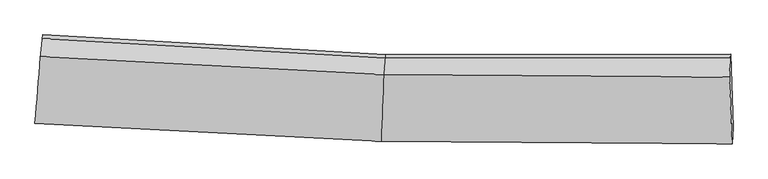
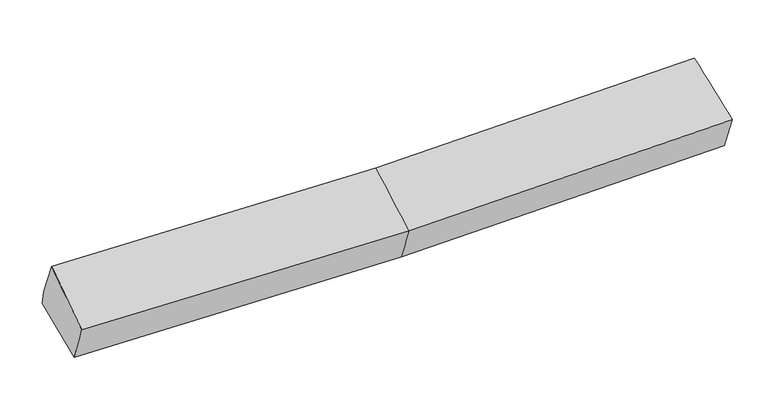
"""IFC4 building model written with IfcOpenShell, lengths in millimetres: proxy geometry."""

import ifcopenshell
import ifcopenshell.guid

model = None  # the IFC model being written
_history = None  # IfcOwnerHistory: only IFC2X3 demands one
_inside = {}  # id of a spatial element -> (the spatial element, [elements in it])
_under = {}  # id of a project, library or spatial element -> (it, [spatial elements below it])
_declared = {}  # id of a project -> (the project, [libraries it declares])
_typed = {}  # id of a type object -> (the type object, [elements of that type])
_made_of = {}  # id of a material, layer set ... -> (it, [elements and type objects made of it])


def new_model(schema):
    """Start an empty IFC model of exactly this schema.

    Asked for "IFC4X3", IfcOpenShell would pick the latest addendum, in which some entities
    have other attributes; the version numbers below select the first issue.
    IFC2X3 requires an IfcOwnerHistory on every rooted entity: one is made here for all.
    """
    global model, _history
    if schema == "IFC4X3":
        model = ifcopenshell.file(schema_version=(4, 3, 0, 0))
    else:
        model = ifcopenshell.file(schema=schema)
    _inside.clear()
    _under.clear()
    _declared.clear()
    _typed.clear()
    _made_of.clear()
    _history = None
    if model.schema == "IFC2X3":
        org = make("IfcOrganization", Name="unknown")
        user = make(
            "IfcPersonAndOrganization",
            ThePerson=make("IfcPerson", FamilyName="unknown"),
            TheOrganization=org,
        )
        app = make(
            "IfcApplication",
            ApplicationDeveloper=org,
            Version="unknown",
            ApplicationFullName="unknown",
            ApplicationIdentifier="unknown",
        )
        _history = make(
            "IfcOwnerHistory",
            OwningUser=user,
            OwningApplication=app,
            ChangeAction="ADDED",
            CreationDate=0,
        )
    return model


def make(cls, **values):
    """One entity of the class cls with the attributes given. An attribute that is None is left unset."""
    return model.create_entity(
        cls, **{name: value for name, value in values.items() if value is not None}
    )


def rooted(cls, **values):
    """An entity with a GlobalId (a new one), such as an element, a storey or a relation."""
    return make(cls, GlobalId=ifcopenshell.guid.new(), OwnerHistory=_history, **values)


def si_unit(unit_type, name, prefix=None):
    """IfcSIUnit, for example si_unit("LENGTHUNIT", "METRE", prefix="MILLI")."""
    return make("IfcSIUnit", UnitType=unit_type, Prefix=prefix, Name=name)


def assignment(units):
    """IfcUnitAssignment: the units of a project."""
    return None if units is None else make("IfcUnitAssignment", Units=units)


def point(xyz):
    """IfcCartesianPoint."""
    return None if xyz is None else make("IfcCartesianPoint", Coordinates=xyz)


def direction(xyz):
    """IfcDirection."""
    return None if xyz is None else make("IfcDirection", DirectionRatios=xyz)


def frame(location, z_axis=None, x_axis=None):
    """IfcAxis2Placement3D, a coordinate frame: its origin and axes. An axis left out is left unset."""
    return make(
        "IfcAxis2Placement3D",
        Location=point(location),
        Axis=direction(z_axis),
        RefDirection=direction(x_axis),
    )


def origin():
    """The frame at (0, 0, 0) with its axes left unset."""
    return frame((0.0, 0.0, 0.0))


def place(relative_to, where):
    """IfcLocalPlacement: puts the frame where relative to a parent placement (None: the world)."""
    return make(
        "IfcLocalPlacement", PlacementRelTo=relative_to, RelativePlacement=where
    )


def context(
    kind, dimensions, precision=None, world=None, true_north=None, identifier=None
):
    """IfcGeometricRepresentationContext, for example the 3D "Model" context."""
    return make(
        "IfcGeometricRepresentationContext",
        ContextIdentifier=identifier,
        ContextType=kind,
        CoordinateSpaceDimension=dimensions,
        Precision=precision,
        WorldCoordinateSystem=world,
        TrueNorth=true_north,
    )


def project(units=None, contexts=None):
    """IfcProject with its units and contexts."""
    return rooted(
        "IfcProject",
        Name="project",
        RepresentationContexts=contexts,
        UnitsInContext=assignment(units),
    )


def spatial(cls, under=None, at=None, **own):
    """A site, building, storey or space (cls), placed at a placement, below another one or the project."""
    s = rooted(cls, ObjectPlacement=at, **own)
    if under is not None:
        _under.setdefault(under.id(), (under, []))[1].append(s)
    return s


def shape(context_of_items, identifier, shape_type, items):
    """IfcShapeRepresentation: the items that make up one representation, for example the "Body"."""
    return make(
        "IfcShapeRepresentation",
        ContextOfItems=context_of_items,
        RepresentationIdentifier=identifier,
        RepresentationType=shape_type,
        Items=items,
    )


def source(mapping_origin, context_of_items, identifier, shape_type, items):
    """IfcRepresentationMap: a shape defined once, which mapped items show again and again."""
    return make(
        "IfcRepresentationMap",
        MappingOrigin=mapping_origin,
        MappedRepresentation=shape(context_of_items, identifier, shape_type, items),
    )


def transform(
    local_origin,
    x_axis=None,
    y_axis=None,
    z_axis=None,
    scale=None,
    scale2=None,
    scale3=None,
    uniform=True,
):
    """IfcCartesianTransformationOperator3D, or its non-uniform kind. x_axis, y_axis, z_axis: its Axis1, 2, 3."""
    if uniform:
        return make(
            "IfcCartesianTransformationOperator3D",
            Axis1=direction(x_axis),
            Axis2=direction(y_axis),
            LocalOrigin=point(local_origin),
            Scale=scale,
            Axis3=direction(z_axis),
        )
    return make(
        "IfcCartesianTransformationOperator3DnonUniform",
        Axis1=direction(x_axis),
        Axis2=direction(y_axis),
        LocalOrigin=point(local_origin),
        Scale=scale,
        Axis3=direction(z_axis),
        Scale2=scale2,
        Scale3=scale3,
    )


def mapped(mapping_source, mapping_target):
    """IfcMappedItem: shows the shape of a source again, moved by a transform."""
    return make(
        "IfcMappedItem", MappingSource=mapping_source, MappingTarget=mapping_target
    )


def made_of(thing, what):
    """Note that an element or type object is made of a material, layer set ...; save() writes the relation."""
    if what is not None:
        _made_of.setdefault(what.id(), (what, []))[1].append(thing)
    return thing


def element(
    cls,
    number,
    at=None,
    inside=None,
    cuts=None,
    type_object=None,
    material=None,
    context=None,
    identifier="Body",
    shape_type=None,
    held_by="IfcProductDefinitionShape",
    body=None,
    shapes=None,
    **own,
):
    """One element of the class cls, such as IfcWall. Its Tag is "e" and its number.

    at: its placement. inside: the storey or other place that contains it. cuts: it is an
    opening in that element (IfcRelVoidsElement). A single representation is given by context,
    identifier, shape_type and body (its items); several are given by shapes. held_by: the class
    of the entity that holds the representations. save() writes the other relations.
    """
    e = rooted(cls, Tag="e%d" % number, ObjectPlacement=at, **own)
    if body is not None:
        shapes = [shape(context, identifier, shape_type, body)]
    if shapes is not None:
        e.Representation = make(held_by, Representations=shapes)
    if inside is not None:
        _inside.setdefault(inside.id(), (inside, []))[1].append(e)
    if cuts is not None:
        rooted(
            "IfcRelVoidsElement", RelatingBuildingElement=cuts, RelatedOpeningElement=e
        )
    if type_object is not None:
        _typed.setdefault(type_object.id(), (type_object, []))[1].append(e)
    return made_of(e, material)


def aggregate(whole, parts):
    """IfcRelAggregates: a whole, such as a stair, and the parts it consists of."""
    return rooted("IfcRelAggregates", RelatingObject=whole, RelatedObjects=parts)


def save(model, path):
    """Write the relations noted so far, then the file.

    IfcRelAggregates (storeys below a building ...), IfcRelContainedInSpatialStructure (elements
    in a storey), IfcRelDefinesByType, IfcRelAssociatesMaterial and IfcRelDeclares: one each for
    every whole, place, type object, material and project.
    """
    for whole, parts in _under.values():
        aggregate(whole, parts)
    for where, things in _inside.values():
        rooted(
            "IfcRelContainedInSpatialStructure",
            RelatedElements=things,
            RelatingStructure=where,
        )
    for kind, things in _typed.values():
        rooted("IfcRelDefinesByType", RelatedObjects=things, RelatingType=kind)
    for what, things in _made_of.values():
        rooted("IfcRelAssociatesMaterial", RelatedObjects=things, RelatingMaterial=what)
    for by, libraries in _declared.values():
        rooted("IfcRelDeclares", RelatingContext=by, RelatedDefinitions=libraries)
    model.write(path)


def plane_surface(at):
    """IfcPlane: the flat surface through the origin of the frame at, square to its z axis."""
    return make("IfcPlane", Position=at)


def spline_surface(u_degree, v_degree, points, u_multiplicities, v_multiplicities, u_knots, v_knots, weights=None):
    """IfcBSplineSurfaceWithKnots; with weights, IfcRationalBSplineSurfaceWithKnots. points: one row for each step in u."""
    own = dict(
        UDegree=u_degree,
        VDegree=v_degree,
        ControlPointsList=[[point(p) for p in row] for row in points],
        SurfaceForm="UNSPECIFIED",
        UClosed=False,
        VClosed=False,
        SelfIntersect=False,
        UMultiplicities=u_multiplicities,
        VMultiplicities=v_multiplicities,
        UKnots=u_knots,
        VKnots=v_knots,
        KnotSpec="UNSPECIFIED",
    )
    if weights is None:
        return make("IfcBSplineSurfaceWithKnots", **own)
    return make("IfcRationalBSplineSurfaceWithKnots", WeightsData=weights, **own)


def advanced_brep(points, edges, surfaces, faces):
    """IfcAdvancedBrep: a solid bounded by faces that lie on surfaces and meet in shared edges.

    An edge is (start, end): straight between two places in points (the first is 0);
    or (start, end, curve); or (start, end, curve, False) where it runs against its curve.
    A face is (place in surfaces, loops), or (place, loops, False) where it looks against
    its surface's normal. A loop lists edges by number (the first is 1), with a minus sign
    where the edge is run from its end to its start. The first loop is the outer one.
    """
    corners = [point(p) for p in points]
    vertices = [make("IfcVertexPoint", VertexGeometry=c) for c in corners]
    made = []
    for start, end, *more in edges:
        made.append(
            make(
                "IfcEdgeCurve",
                EdgeStart=vertices[start],
                EdgeEnd=vertices[end],
                EdgeGeometry=more[0] if more else make("IfcPolyline", Points=[corners[start], corners[end]]),
                SameSense=more[1] if len(more) > 1 else True,
            )
        )
    hull = []
    for where, loops, *sense in faces:
        bounds = []
        for j, loop in enumerate(loops):
            ring = [make("IfcOrientedEdge", EdgeElement=made[abs(k) - 1], Orientation=k > 0) for k in loop]
            bounds.append(
                make(
                    "IfcFaceOuterBound" if j == 0 else "IfcFaceBound",
                    Bound=make("IfcEdgeLoop", EdgeList=ring),
                    Orientation=True,
                )
            )
        hull.append(make("IfcAdvancedFace", Bounds=bounds, FaceSurface=surfaces[where], SameSense=sense[0] if sense else True))
    return make("IfcAdvancedBrep", Outer=make("IfcClosedShell", CfsFaces=hull))


def generic_models_b4cb55c8(model_context):
    return source(origin(), model_context, "Body", "AdvancedBrep", [
        advanced_brep(
        [(-3220.9173267, -1952.3017077, 2044.9548475), (-3205.5139772, -1795.3468613, 1655.219346), (-27.0788902, -1964.4165433, 1710.492074), (-39.392433, -2117.0104862, 2080.7789532), (-3149.6943153, -1136.6298095, 1809.9520633), (0.7910316, -1318.4853532, 1861.5517321), (-3153.4412936, -1171.6239579, 1960.2783665), (-2.8345997, -1352.3462065, 2007.0096765), (-3169.5601445, -1337.9485097, 2331.8914048), (-14.8209918, -1500.8854667, 2367.4603176), (3168.8258062, -1350.9025456, 2091.5365873), (3162.7620781, -1526.4310706, 2435.5816778), (3187.8580047, -2143.05565, 2150.0220124), (3195.3423126, -1990.4131342, 1779.6260687), (3172.6941314, -1314.775102, 1936.3419253)],
        [
            (0, 1),
            (1, 2),
            (2, 3),
            (3, 0),
            (1, 4),
            (4, 5),
            (5, 1),
            (4, 6),
            (6, 7),
            (7, 5),
            (6, 8),
            (8, 9),
            (9, 7),
            (8, 0),
            (3, 9),
            (10, 11),
            (11, 12),
            (12, 13),
            (13, 14),
            (14, 10),
            (5, 2),
            (9, 11),
            (10, 7),
            (3, 12),
            (2, 13),
            (5, 14),
        ],
        [
            spline_surface(1, 1, [[(-3220.9173267, -1952.3017077, 2044.9548475), (-39.392433, -2117.0104862, 2080.7789532)], [(-3205.5139772, -1795.3468613, 1655.219346), (-27.0788902, -1964.4165433, 1710.492074)]], [2, 2], [2, 2], [0.0, 1.0], [0.0, 1.0]),
            plane_surface(frame((-3177.6041463, -1465.9883354, 1732.5857046), z_axis=(0.029006356588048184, 0.22624954692817292, -0.9736373933823023), x_axis=(0.08221530244907449, 0.9702069100849521, 0.22790172370260203))),
            plane_surface(frame((-3151.5678045, -1154.1268837, 1885.1152149), z_axis=(0.052397340949386015, 0.9723315253693299, 0.2276530769271216), x_axis=(-0.024269384693776305, -0.22665902874047925, 0.9736717525208421))),
            spline_surface(1, 1, [[(-3153.4412936, -1171.6239579, 1960.2783665), (-2.8345997, -1352.3462065, 2007.0096765)], [(-3169.5601445, -1337.9485097, 2331.8914048), (-14.8209918, -1500.8854667, 2367.4603176)]], [2, 2], [2, 2], [0.0, 1.0], [0.0, 1.0]),
            spline_surface(1, 1, [[(-3169.5601445, -1337.9485097, 2331.8914048), (-14.8209918, -1500.8854667, 2367.4603176)], [(-3220.9173267, -1952.3017077, 2044.9548475), (-39.392433, -2117.0104862, 2080.7789532)]], [2, 2], [2, 2], [0.0, 1.0], [0.0, 1.0]),
            plane_surface(frame((3177.4964666, -1665.1155005, 2078.6216543), z_axis=(0.9991725739395768, 0.026296751302043356, 0.031026575027216296), x_axis=(-0.01569765765716335, -0.4544047212577568, 0.8906570231254783))),
            plane_surface(frame((-3179.8254115, -1478.7701692, 1960.4592056), z_axis=(-0.9963190457929586, 0.08558175222454467, -0.004911484132657691), x_axis=(0.07552526802591958, 0.9034605853001025, 0.42196552548615796))),
            plane_surface(frame((-3205.5139772, -1795.3468613, 1655.219346), z_axis=(0.028975583210348595, 0.22643790900137936, -0.9735945197795145), x_axis=(0.04197625591581489, 0.9728686398777244, 0.22751835855982422))),
            spline_surface(1, 1, [[(-2.8345997, -1352.3462065, 2007.0096765), (3168.8258062, -1350.9025456, 2091.5365873)], [(-14.8209918, -1500.8854667, 2367.4603176), (3162.7620781, -1526.4310706, 2435.5816778)]], [2, 2], [2, 2], [0.0, 1.0], [0.0, 1.0]),
            spline_surface(1, 1, [[(-14.8209918, -1500.8854667, 2367.4603176), (3162.7620781, -1526.4310706, 2435.5816778)], [(-39.392433, -2117.0104862, 2080.7789532), (3187.8580047, -2143.05565, 2150.0220124)]], [2, 2], [2, 2], [0.0, 1.0], [0.0, 1.0]),
            spline_surface(1, 1, [[(-39.392433, -2117.0104862, 2080.7789532), (3187.8580047, -2143.05565, 2150.0220124)], [(-27.0788902, -1964.4165433, 1710.492074), (3195.3423126, -1990.4131342, 1779.6260687)]], [2, 2], [2, 2], [0.0, 1.0], [0.0, 1.0]),
            spline_surface(1, 1, [[(-27.0788902, -1964.4165433, 1710.492074), (3195.3423126, -1990.4131342, 1779.6260687)], [(0.7910316, -1318.4853532, 1861.5517321), (3172.6941314, -1314.775102, 1936.3419253)]], [2, 2], [2, 2], [0.0, 1.0], [0.0, 1.0]),
            plane_surface(frame((-1.021784, -1335.4157799, 1934.2807043), z_axis=(-0.0064815147131691035, 0.9739738317893339, 0.22656779329071808), x_axis=(-0.02426938469387889, -0.2266590287405887, 0.9736717525208142))),
        ],
        [
            (0, [[1, 2, 3, 4]]),
            (1, [[5, 6, 7]]),
            (2, [[8, 9, 10, -6]]),
            (3, [[11, 12, 13, -9]]),
            (4, [[14, -4, 15, -12]]),
            (5, [[16, 17, 18, 19, 20]]),
            (6, [[-14, -11, -8, -5, -1]]),
            (7, [[21, -2, -7]]),
            (8, [[-13, 22, -16, 23]]),
            (9, [[-15, 24, -17, -22]]),
            (10, [[-3, 25, -18, -24]]),
            (11, [[-21, 26, -19, -25]]),
            (12, [[-10, -23, -20, -26]]),
        ],
    ),
    ])


if __name__ == "__main__":
    model = new_model("IFC4")
    model_context = context("Model", 3, world=origin())
    ifc_project = project(units=[si_unit("LENGTHUNIT", "METRE", prefix="MILLI")], contexts=[model_context])
    site = spatial("IfcSite", under=ifc_project)
    building = spatial("IfcBuilding", under=site)
    placement = place(None, origin())
    generic_models_shape = generic_models_b4cb55c8(model_context)
    element("IfcBuildingElementProxy", 1, Name="Generic Models", at=placement, inside=building, context=model_context, shape_type="MappedRepresentation", body=[
        mapped(generic_models_shape, transform((0.0, 0.0, 0.0), x_axis=(1.0, 0.0, 0.0), y_axis=(0.0, 1.0, 0.0), z_axis=(0.0, 0.0, 1.0))),
    ])
    save(model, "model.ifc")
